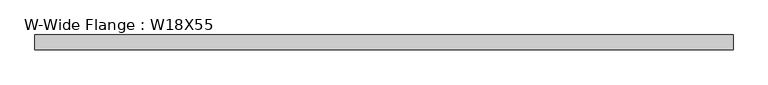
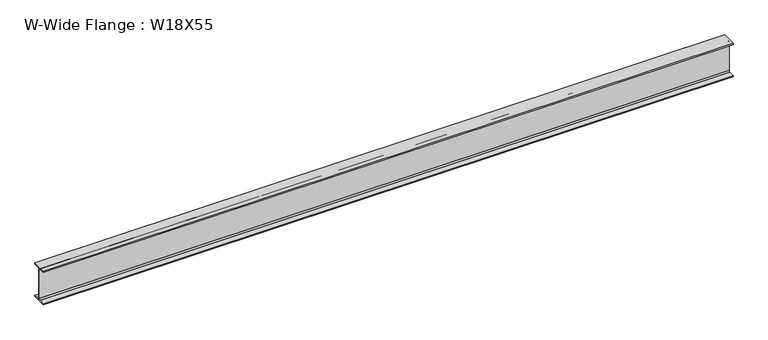
"""IFC4 building model written with IfcOpenShell, lengths in millimetres: beam geometry, W-Wide Flange : W18X55."""

from ifc_helpers import new_model, si_unit, point, frame, frame_2d, origin, place, context, project, spatial, polyline, circle_curve, trimmed, segment, composite_curve, outline, extrude, source, transform, mapped, element, save


def w_wide_flange_w18x55_9d2701b7(model_context):
    return source(origin(), model_context, "Body", "SweptSolid", [
        extrude(outline(composite_curve([segment(polyline([(95.646875, -213.915625), (95.646875, -229.8898438), (-95.646875, -229.8898438), (-95.646875, -213.915625), (-22.3242188, -213.915625)]), True, "CONTINUOUS"), segment(trimmed(circle_curve(frame_2d((-22.3242188, -196.5523438)), 17.3632813), [point((-22.3242188, -213.915625))], [point((-4.9609375, -196.5523438))], True, "CARTESIAN"), True, "CONTINUOUS"), segment(polyline([(-4.9609375, -196.5523438), (-4.9609375, 196.5523437)]), True, "CONTINUOUS"), segment(trimmed(circle_curve(frame_2d((-22.3242188, 196.5523437)), 17.3632812), [point((-4.9609375, 196.5523437))], [point((-22.3242188, 213.915625))], True, "CARTESIAN"), True, "CONTINUOUS"), segment(polyline([(-22.3242188, 213.915625), (-95.646875, 213.915625), (-95.646875, 229.8898437), (95.646875, 229.8898437), (95.646875, 213.915625), (22.3242187, 213.915625)]), True, "CONTINUOUS"), segment(trimmed(circle_curve(frame_2d((22.3242187, 196.5523437)), 17.3632813), [point((22.3242187, 213.915625))], [point((4.9609375, 196.5523437))], True, "CARTESIAN"), True, "CONTINUOUS"), segment(polyline([(4.9609375, 196.5523437), (4.9609375, -196.5523438)]), True, "CONTINUOUS"), segment(trimmed(circle_curve(frame_2d((22.3242187, -196.5523438)), 17.3632812), [point((4.9609375, -196.5523438))], [point((22.3242187, -213.915625))], True, "CARTESIAN"), True, "CONTINUOUS"), segment(polyline([(22.3242187, -213.915625), (95.646875, -213.915625)]), True, "CONTINUOUS")], self_intersect=False)), frame((-4476.353125, 0.0, 0.0), z_axis=(1.0, 0.0, 0.0), x_axis=(0.0, 1.0, 0.0)), (0.0, 0.0, 1.0), 8952.70625),
    ])


if __name__ == "__main__":
    model = new_model("IFC4")
    model_context = context("Model", 3, world=origin())
    ifc_project = project(units=[si_unit("LENGTHUNIT", "METRE", prefix="MILLI")], contexts=[model_context])
    site = spatial("IfcSite", under=ifc_project)
    building = spatial("IfcBuilding", under=site)
    placement = place(None, origin())
    w_wide_flange_w18x55_shape = w_wide_flange_w18x55_9d2701b7(model_context)
    element("IfcBeam", 1, ObjectType="W-Wide Flange : W18X55", at=placement, inside=building, context=model_context, shape_type="MappedRepresentation", body=[
        mapped(w_wide_flange_w18x55_shape, transform((0.0, 0.0, 0.0), x_axis=(1.0, 0.0, 0.0), y_axis=(0.0, 1.0, 0.0), z_axis=(0.0, 0.0, 1.0))),
    ])
    save(model, "model.ifc")
